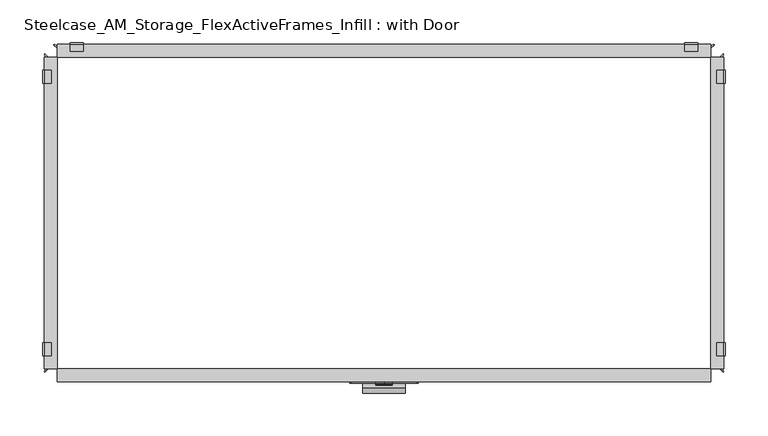
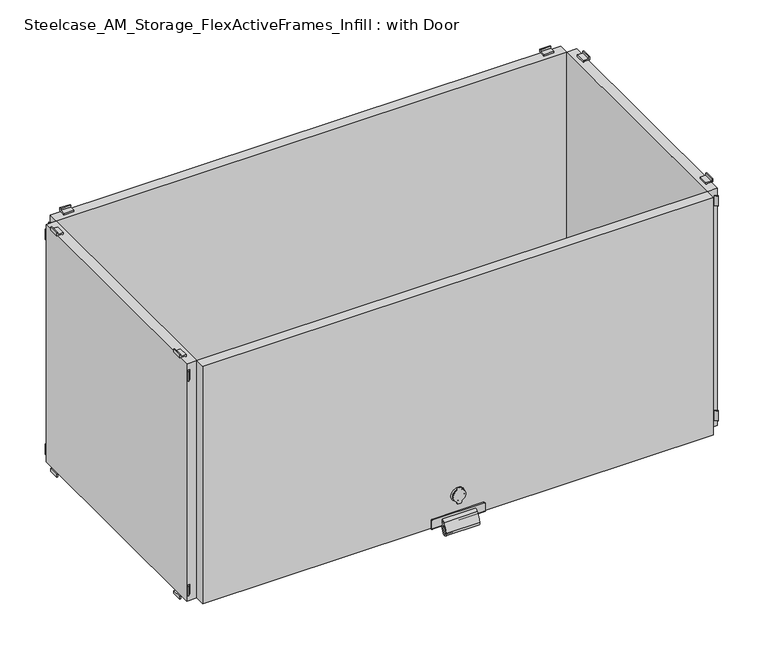
"""IFC4 building model written with IfcOpenShell, lengths in millimetres: furniture geometry, Steelcase_AM_Storage_FlexActiveFrames_Infill : with Door."""

from ifc_helpers import new_model, si_unit, point, frame, frame_2d, origin, place, context, project, spatial, polyline, circle_curve, trimmed, segment, composite_curve, outline, extrude, source, transform, mapped, element, save
from ifc_brep_helpers import plane_surface, cylinder_surface, revolved_surface, advanced_brep


def steelcase_am_storage_flexactiveframes_infill_with_door_f03e9f3b(model_context):
    return source(origin(), model_context, "Body", "SolidModel", [
        extrude(outline(composite_curve([segment(polyline([(152.5718006, 396.8746488), (150.3317189, 396.8746488)]), True, "CONTINUOUS"), segment(trimmed(circle_curve(frame_2d((150.3317189, 398.3986488)), 1.524), [point((150.3317189, 396.8746488))], [point((148.8077189, 398.3986488))], False, "CARTESIAN"), True, "CONTINUOUS"), segment(polyline([(148.8077189, 398.3986488), (148.8077189, 401.7013512)]), True, "CONTINUOUS"), segment(trimmed(circle_curve(frame_2d((150.3317189, 401.7013512)), 1.524), [point((148.8077189, 401.7013512))], [point((150.3317189, 403.2253512))], False, "CARTESIAN"), True, "CONTINUOUS"), segment(polyline([(150.3317189, 403.2253512), (152.5718006, 403.2253512)]), True, "CONTINUOUS"), segment(trimmed(circle_curve(frame_2d((161.5079853, 400.05)), 9.4835781), [point((152.5718006, 403.2253512))], [point((170.4441701, 403.2253512))], False, "CARTESIAN"), True, "CONTINUOUS"), segment(polyline([(170.4441701, 403.2253512), (172.6842518, 403.2253512)]), True, "CONTINUOUS"), segment(trimmed(circle_curve(frame_2d((172.6842518, 401.7013512)), 1.524), [point((172.6842518, 403.2253512))], [point((174.2082518, 401.7013512))], False, "CARTESIAN"), True, "CONTINUOUS"), segment(polyline([(174.2082518, 401.7013512), (174.2082518, 398.3986488)]), True, "CONTINUOUS"), segment(trimmed(circle_curve(frame_2d((172.6842518, 398.3986488)), 1.524), [point((174.2082518, 398.3986488))], [point((172.6842518, 396.8746488))], False, "CARTESIAN"), True, "CONTINUOUS"), segment(polyline([(172.6842518, 396.8746488), (170.4441701, 396.8746488)]), True, "CONTINUOUS"), segment(trimmed(circle_curve(frame_2d((161.5079853, 400.05)), 9.4835781), [point((170.4441701, 396.8746488))], [point((152.5718006, 396.8746488))], False, "CARTESIAN"), True, "CONTINUOUS")], self_intersect=False)), frame((0.0, -401.4469803, 0.0), z_axis=(0.0, 1.0, 0.0), x_axis=(0.0, 0.0, 1.0)), (0.0, 0.0, 1.0), 0.762),
        advanced_brep(
        [(400.05, -397.51, 151.1069002), (400.05, -397.51, 171.9090704), (400.05, -397.51, 161.5079853), (400.05, -399.0335313, 152.3124153), (400.05, -399.0335313, 170.7035554), (400.05, -399.0335313, 155.2647804), (400.05, -399.0335313, 167.7511903), (400.05, -399.7959797, 152.0244072), (400.05, -399.7959797, 170.9915634), (400.05, -400.6849803, 152.0244072), (400.05, -400.6849803, 170.9915634), (400.05, -400.6849803, 161.5079853)],
        [
            (0, 1, circle_curve(frame((400.05, -397.51, 161.5079853), z_axis=(0.0, 1.0, 0.0), x_axis=(0.0, 0.0, 1.0)), 10.4010851)),
            (1, 2),
            (2, 0),
            (1, 0, circle_curve(frame((400.05, -397.51, 161.5079853), z_axis=(0.0, 1.0, 0.0), x_axis=(0.0, 0.0, 1.0)), 10.4010851)),
            (3, 4, circle_curve(frame((400.05, -399.0335313, 161.5079853), z_axis=(0.0, 1.0, 0.0), x_axis=(0.0, 0.0, 1.0)), 9.19557)),
            (4, 1),
            (0, 3),
            (4, 3, circle_curve(frame((400.05, -399.0335313, 161.5079853), z_axis=(0.0, 1.0, 0.0), x_axis=(0.0, 0.0, 1.0)), 9.19557)),
            (5, 6, circle_curve(frame((400.05, -399.0335313, 161.5079853), z_axis=(0.0, 1.0, 0.0), x_axis=(0.0, 0.0, 1.0)), 6.243205)),
            (6, 4),
            (3, 5),
            (6, 5, circle_curve(frame((400.05, -399.0335313, 161.5079853), z_axis=(0.0, 1.0, 0.0), x_axis=(0.0, 0.0, 1.0)), 6.243205)),
            (7, 8, circle_curve(frame((400.05, -399.7959797, 161.5079853), z_axis=(0.0, 1.0, 0.0), x_axis=(0.0, 0.0, 1.0)), 9.4835781)),
            (8, 6),
            (5, 7),
            (8, 7, circle_curve(frame((400.05, -399.7959797, 161.5079853), z_axis=(0.0, 1.0, 0.0), x_axis=(0.0, 0.0, 1.0)), 9.4835781)),
            (9, 10, circle_curve(frame((400.05, -400.6849803, 161.5079853), z_axis=(0.0, 1.0, 0.0), x_axis=(0.0, 0.0, 1.0)), 9.4835781)),
            (10, 8),
            (7, 9),
            (10, 9, circle_curve(frame((400.05, -400.6849803, 161.5079853), z_axis=(0.0, 1.0, 0.0), x_axis=(0.0, 0.0, 1.0)), 9.4835781)),
            (11, 10),
            (9, 11),
        ],
        [
            plane_surface(frame((400.05, -397.51, 161.5079853), z_axis=(0.0, 1.0, 0.0), x_axis=(0.0, 0.0, 1.0))),
            revolved_surface(polyline([(400.05, -397.51, 171.9090704), (400.05, -399.0335313, 170.7035554)]), (400.05, -386.0294251, 161.5079853), (0.0, -1.0, 0.0)),
            plane_surface(frame((400.05, -399.0335313, 161.5079853), z_axis=(0.0, -1.0, 0.0), x_axis=(0.0, 0.0, 1.0))),
            revolved_surface(polyline([(400.05, -399.0335313, 167.7511903), (400.05, -399.7959797, 170.9915634)]), (400.05, -386.0294251, 161.5079853), (0.0, -1.0, 0.0)),
            cylinder_surface(frame((400.05, -386.0294251, 161.5079853), z_axis=(0.0, -1.0, 0.0), x_axis=(0.0, 0.0, 1.0)), 9.4835781),
            plane_surface(frame((400.05, -400.6849803, 161.5079853), z_axis=(0.0, -1.0, 0.0), x_axis=(0.0, 0.0, 1.0))),
        ],
        [
            (0, [[1, 2, 3]]),
            (0, [[4, -3, -2]]),
            (1, [[5, 6, -1, 7]]),
            (1, [[8, -7, -4, -6]]),
            (2, [[9, 10, -5, 11]]),
            (2, [[12, -11, -8, -10]]),
            (3, [[13, 14, -9, 15]]),
            (3, [[16, -15, -12, -14]]),
            (4, [[17, 18, -13, 19]]),
            (4, [[20, -19, -16, -18]]),
            (5, [[21, -17, 22]]),
            (5, [[-22, -20, -21]]),
        ],
    ),
        advanced_brep(
        [(438.5254965, -399.034, 135.2296), (361.5734862, -399.034, 135.2296), (360.0494862, -399.034, 133.7056), (360.0494862, -399.034, 121.5136), (440.0494965, -399.034, 121.5136), (440.0494965, -399.034, 133.7056), (438.5254965, -397.51, 135.2296), (440.0494965, -397.51, 133.7056), (440.0494965, -397.51, 121.5136), (360.0494862, -397.51, 121.5136), (360.0494862, -397.51, 133.7056), (361.5734862, -397.51, 135.2296), (360.0494862, -382.27, 121.5136), (360.0494862, -382.27, 119.9896), (360.0494862, -397.51, 119.9896), (440.0494965, -397.51, 119.9896), (440.0494965, -382.27, 119.9896), (440.0494965, -382.27, 121.5136)],
        [
            (0, 1),
            (1, 2, circle_curve(frame((361.5734862, -399.034, 133.7056), z_axis=(0.0, -1.0, 0.0), x_axis=(1.0, 0.0, 0.0)), 1.524)),
            (2, 3),
            (3, 4),
            (4, 5),
            (5, 0, circle_curve(frame((438.5254965, -399.034, 133.7056), z_axis=(0.0, -1.0, 0.0), x_axis=(1.0, 0.0, 0.0)), 1.524)),
            (6, 7, circle_curve(frame((438.5254965, -397.51, 133.7056), z_axis=(0.0, 1.0, 0.0), x_axis=(1.0, 0.0, 0.0)), 1.524)),
            (7, 8),
            (8, 9),
            (9, 10),
            (10, 11, circle_curve(frame((361.5734862, -397.51, 133.7056), z_axis=(0.0, 1.0, 0.0), x_axis=(1.0, 0.0, 0.0)), 1.524)),
            (11, 6),
            (0, 6),
            (11, 1),
            (10, 2),
            (9, 12),
            (12, 13),
            (13, 14),
            (14, 3, circle_curve(frame((360.0494862, -397.51, 121.5136), z_axis=(-1.0, 0.0, 0.0), x_axis=(0.0, 1.0, 0.0)), 1.524)),
            (4, 15, circle_curve(frame((440.0494965, -397.51, 121.5136), z_axis=(1.0, 0.0, 0.0), x_axis=(0.0, 1.0, 0.0)), 1.524)),
            (15, 16),
            (16, 17),
            (17, 8),
            (7, 5),
            (15, 14),
            (13, 16),
            (12, 17),
        ],
        [
            plane_surface(frame((361.5734862, -399.034, 135.2296), z_axis=(0.0, -1.0, 0.0), x_axis=(-1.0, 0.0, 0.0))),
            plane_surface(frame((361.5734862, -397.51, 135.2296), z_axis=(0.0, 1.0, 0.0), x_axis=(1.0, 0.0, 0.0))),
            plane_surface(frame((438.5254965, -399.034, 135.2296), z_axis=(0.0, 0.0, 1.0), x_axis=(0.0, 1.0, 0.0))),
            cylinder_surface(frame((361.5734862, -397.51, 133.7056), z_axis=(0.0, -1.0, 0.0), x_axis=(1.0, 0.0, 0.0)), 1.524),
            plane_surface(frame((360.0494862, -399.034, 133.7056), z_axis=(-1.0, 0.0, 0.0), x_axis=(0.0, 1.0, 0.0))),
            plane_surface(frame((440.0494965, -399.034, 123.0376), z_axis=(1.0, 0.0, 0.0), x_axis=(0.0, 1.0, 0.0))),
            cylinder_surface(frame((438.5254965, -397.51, 133.7056), z_axis=(0.0, -1.0, 0.0), x_axis=(1.0, 0.0, 0.0)), 1.524),
            plane_surface(frame((440.0494965, -397.51, 119.9896), z_axis=(0.0, 0.0, -1.0), x_axis=(-1.0, 0.0, 0.0))),
            plane_surface(frame((440.0494965, -382.27, 119.9896), z_axis=(0.0, 1.0, 0.0), x_axis=(-1.0, 0.0, 0.0))),
            plane_surface(frame((440.0494965, -382.27, 121.5136), z_axis=(0.0, 0.0, 1.0), x_axis=(-1.0, 0.0, 0.0))),
            cylinder_surface(frame((360.0494862, -397.51, 121.5136), z_axis=(1.0, 0.0, 0.0), x_axis=(0.0, 1.0, 0.0)), 1.524),
        ],
        [
            (0, [[1, 2, 3, 4, 5, 6]]),
            (1, [[7, 8, 9, 10, 11, 12]]),
            (2, [[-1, 13, -12, 14]]),
            (3, [[-2, -14, -11, 15]]),
            (4, [[-3, -15, -10, 16, 17, 18, 19]]),
            (5, [[-5, 20, 21, 22, 23, -8, 24]]),
            (6, [[-6, -24, -7, -13]]),
            (7, [[-21, 25, -18, 26]]),
            (8, [[-22, -26, -17, 27]]),
            (9, [[-23, -27, -16, -9]]),
            (10, [[-20, -4, -19, -25]]),
        ],
    ),
        extrude(outline(composite_curve([segment(trimmed(circle_curve(frame_2d((-399.3330542, 125.2742816)), 4.4885231), [point((-399.034, 129.7528311))], [point((-402.9026513, 127.9954607))], True, "CARTESIAN"), True, "CONTINUOUS"), segment(trimmed(circle_curve(frame_2d((-376.5973715, 107.9423915)), 33.0770816), [point((-402.9026513, 127.9954607))], [point((-408.7735456, 115.6096697))], True, "CARTESIAN"), True, "CONTINUOUS"), segment(trimmed(circle_curve(frame_2d((-405.3950826, 114.8046139)), 3.4730573), [point((-408.7735456, 115.6096697))], [point((-405.8503754, 111.3615287))], True, "CARTESIAN"), True, "CONTINUOUS"), segment(trimmed(circle_curve(frame_2d((-405.7469426, 112.1437242)), 0.7890045), [point((-405.8503754, 111.3615287))], [point((-405.0783099, 111.7248465))], True, "CARTESIAN"), True, "CONTINUOUS"), segment(trimmed(circle_curve(frame_2d((-432.7352012, 129.0510324)), 32.6358752), [point((-405.0783099, 111.7248465))], [point((-401.3976431, 119.9374269))], True, "CARTESIAN"), True, "CONTINUOUS"), segment(trimmed(circle_curve(frame_2d((-403.0105921, 120.4065056)), 1.6797736), [point((-401.3976431, 119.9374269))], [point((-401.8482661, 121.6192041))], True, "CARTESIAN"), True, "CONTINUOUS"), segment(trimmed(circle_curve(frame_2d((-399.159917, 124.4240597)), 3.8851559), [point((-401.8482661, 121.6192041))], [point((-399.034, 128.3071746))], False, "CARTESIAN"), True, "CONTINUOUS"), segment(polyline([(-399.034, 128.3071746), (-399.034, 126.400208)]), True, "CONTINUOUS"), segment(trimmed(circle_curve(frame_2d((-399.159917, 124.4240597)), 1.9801559), [point((-399.034, 126.400208))], [point((-400.5300937, 122.9945028))], True, "CARTESIAN"), True, "CONTINUOUS"), segment(trimmed(circle_curve(frame_2d((-403.0105921, 120.4065056)), 3.5847736), [point((-400.5300937, 122.9945028))], [point((-399.5684276, 119.4054535))], False, "CARTESIAN"), True, "CONTINUOUS"), segment(trimmed(circle_curve(frame_2d((-432.7352012, 129.0510324)), 34.5408752), [point((-399.5684276, 119.4054535))], [point((-403.4639399, 110.7134937))], False, "CARTESIAN"), True, "CONTINUOUS"), segment(trimmed(circle_curve(frame_2d((-405.7469426, 112.1437242)), 2.6940045), [point((-403.4639399, 110.7134937))], [point((-406.1001071, 109.4729687))], False, "CARTESIAN"), True, "CONTINUOUS"), segment(trimmed(circle_curve(frame_2d((-405.3950826, 114.8046139)), 5.3780573), [point((-406.1001071, 109.4729687))], [point((-410.6266598, 116.0512493))], False, "CARTESIAN"), True, "CONTINUOUS"), segment(trimmed(circle_curve(frame_2d((-376.5973715, 107.9423915)), 34.9820816), [point((-410.6266598, 116.0512493))], [point((-404.4176446, 129.1503721))], False, "CARTESIAN"), True, "CONTINUOUS"), segment(trimmed(circle_curve(frame_2d((-399.3330542, 125.2742816)), 6.3935231), [point((-404.4176446, 129.1503721))], [point((-399.034, 131.6608068))], False, "CARTESIAN"), True, "CONTINUOUS"), segment(polyline([(-399.034, 131.6608068), (-399.034, 129.7528311)]), True, "CONTINUOUS")], self_intersect=False)), frame((375.0708803, 0.0, 0.0), z_axis=(1.0, 0.0, 0.0), x_axis=(0.0, 1.0, 0.0)), (0.0, 0.0, 1.0), 49.9787862),
        extrude(outline(polyline([(782.32, -397.51), (17.78, -397.51), (17.78, -382.27), (782.32, -382.27), (782.32, -397.51)])), frame((0.0, 0.0, 121.5136), z_axis=(0.0, 0.0, 1.0), x_axis=(1.0, 0.0, 0.0)), (0.0, 0.0, 1.0), 375.92),
        extrude(outline(polyline([(794.8923586, -382.27), (797.5473445, -384.924986), (796.4697138, -386.0026167), (792.7370971, -382.27), (794.8923586, -382.27)])), frame((0.0, 0.0, 472.0336), z_axis=(0.0, 0.0, 1.0), x_axis=(1.0, 0.0, 0.0)), (0.0, 0.0, 1.0), 15.24),
        extrude(outline(polyline([(794.8923586, -17.78), (792.7370971, -17.78), (796.4697138, -14.0473833), (797.5473445, -15.125014), (794.8923586, -17.78)])), frame((0.0, 0.0, 472.0336), z_axis=(0.0, 0.0, 1.0), x_axis=(1.0, 0.0, 0.0)), (0.0, 0.0, 1.0), 15.24),
        extrude(outline(polyline([(794.8923586, -382.27), (797.5473445, -384.924986), (796.4697138, -386.0026167), (792.7370971, -382.27), (794.8923586, -382.27)])), frame((0.0, 0.0, 131.6736), z_axis=(0.0, 0.0, 1.0), x_axis=(1.0, 0.0, 0.0)), (0.0, 0.0, 1.0), 15.24),
        extrude(outline(polyline([(794.8923586, -17.78), (792.7370971, -17.78), (796.4697138, -14.0473833), (797.5473445, -15.125014), (794.8923586, -17.78)])), frame((0.0, 0.0, 131.6736), z_axis=(0.0, 0.0, 1.0), x_axis=(1.0, 0.0, 0.0)), (0.0, 0.0, 1.0), 15.24),
        extrude(outline(polyline([(503.0770636, 797.56), (499.9736, 797.56), (499.9736, 789.178), (497.4336, 789.178), (497.4336, 790.702), (498.4496, 790.702), (498.4496, 799.084), (503.0770636, 799.084), (503.0770636, 797.56)])), frame((0.0, -48.26, 0.0), z_axis=(0.0, 1.0, 0.0), x_axis=(0.0, 0.0, 1.0)), (0.0, 0.0, 1.0), 15.24),
        extrude(outline(polyline([(115.8701364, 797.56), (115.8701364, 799.084), (120.4976, 799.084), (120.4976, 790.702), (121.5136, 790.702), (121.5136, 789.178), (118.9736, 789.178), (118.9736, 797.56), (115.8701364, 797.56)])), frame((0.0, -48.26, 0.0), z_axis=(0.0, 1.0, 0.0), x_axis=(0.0, 0.0, 1.0)), (0.0, 0.0, 1.0), 15.24),
        extrude(outline(polyline([(503.0770636, 797.56), (499.9736, 797.56), (499.9736, 789.178), (497.4336, 789.178), (497.4336, 790.702), (498.4496, 790.702), (498.4496, 799.084), (503.0770636, 799.084), (503.0770636, 797.56)])), frame((0.0, -367.03, 0.0), z_axis=(0.0, 1.0, 0.0), x_axis=(0.0, 0.0, 1.0)), (0.0, 0.0, 1.0), 15.24),
        extrude(outline(polyline([(115.8701364, 797.56), (115.8701364, 799.084), (120.4976, 799.084), (120.4976, 790.702), (121.5136, 790.702), (121.5136, 789.178), (118.9736, 789.178), (118.9736, 797.56), (115.8701364, 797.56)])), frame((0.0, -367.03, 0.0), z_axis=(0.0, 1.0, 0.0), x_axis=(0.0, 0.0, 1.0)), (0.0, 0.0, 1.0), 15.24),
        extrude(outline(polyline([(782.32, -17.78), (797.56, -17.78), (797.56, -382.27), (782.32, -382.27), (782.32, -17.78)])), frame((0.0, 0.0, 121.5136), z_axis=(0.0, 0.0, 1.0), x_axis=(1.0, 0.0, 0.0)), (0.0, 0.0, 1.0), 375.92),
        extrude(outline(polyline([(5.2076414, -382.27), (7.3629029, -382.27), (3.6302862, -386.0026167), (2.5526555, -384.924986), (5.2076414, -382.27)])), frame((0.0, 0.0, 472.0336), z_axis=(0.0, 0.0, 1.0), x_axis=(1.0, 0.0, 0.0)), (0.0, 0.0, 1.0), 15.24),
        extrude(outline(polyline([(5.2076414, -17.78), (2.5526555, -15.125014), (3.6302862, -14.0473833), (7.3629029, -17.78), (5.2076414, -17.78)])), frame((0.0, 0.0, 472.0336), z_axis=(0.0, 0.0, 1.0), x_axis=(1.0, 0.0, 0.0)), (0.0, 0.0, 1.0), 15.24),
        extrude(outline(polyline([(5.2076414, -382.27), (7.3629029, -382.27), (3.6302862, -386.0026167), (2.5526555, -384.924986), (5.2076414, -382.27)])), frame((0.0, 0.0, 131.6736), z_axis=(0.0, 0.0, 1.0), x_axis=(1.0, 0.0, 0.0)), (0.0, 0.0, 1.0), 15.24),
        extrude(outline(polyline([(5.2076414, -17.78), (2.5526555, -15.125014), (3.6302862, -14.0473833), (7.3629029, -17.78), (5.2076414, -17.78)])), frame((0.0, 0.0, 131.6736), z_axis=(0.0, 0.0, 1.0), x_axis=(1.0, 0.0, 0.0)), (0.0, 0.0, 1.0), 15.24),
        extrude(outline(polyline([(503.0770636, 2.54), (503.0770636, 1.016), (498.4496, 1.016), (498.4496, 9.398), (497.4336, 9.398), (497.4336, 10.922), (499.9736, 10.922), (499.9736, 2.54), (503.0770636, 2.54)])), frame((0.0, -48.26, 0.0), z_axis=(0.0, 1.0, 0.0), x_axis=(0.0, 0.0, 1.0)), (0.0, 0.0, 1.0), 15.24),
        extrude(outline(polyline([(115.8701364, 2.54), (118.9736, 2.54), (118.9736, 10.922), (121.5136, 10.922), (121.5136, 9.398), (120.4976, 9.398), (120.4976, 1.016), (115.8701364, 1.016), (115.8701364, 2.54)])), frame((0.0, -48.26, 0.0), z_axis=(0.0, 1.0, 0.0), x_axis=(0.0, 0.0, 1.0)), (0.0, 0.0, 1.0), 15.24),
        extrude(outline(polyline([(503.0770636, 2.54), (503.0770636, 1.016), (498.4496, 1.016), (498.4496, 9.398), (497.4336, 9.398), (497.4336, 10.922), (499.9736, 10.922), (499.9736, 2.54), (503.0770636, 2.54)])), frame((0.0, -367.03, 0.0), z_axis=(0.0, 1.0, 0.0), x_axis=(0.0, 0.0, 1.0)), (0.0, 0.0, 1.0), 15.24),
        extrude(outline(polyline([(115.8701364, 2.54), (118.9736, 2.54), (118.9736, 10.922), (121.5136, 10.922), (121.5136, 9.398), (120.4976, 9.398), (120.4976, 1.016), (115.8701364, 1.016), (115.8701364, 2.54)])), frame((0.0, -367.03, 0.0), z_axis=(0.0, 1.0, 0.0), x_axis=(0.0, 0.0, 1.0)), (0.0, 0.0, 1.0), 15.24),
        extrude(outline(polyline([(17.78, -17.78), (17.78, -382.27), (2.54, -382.27), (2.54, -17.78), (17.78, -17.78)])), frame((0.0, 0.0, 121.5136), z_axis=(0.0, 0.0, 1.0), x_axis=(1.0, 0.0, 0.0)), (0.0, 0.0, 1.0), 375.92),
        extrude(outline(polyline([(17.78, -5.2076414), (17.78, -7.3629029), (14.0473833, -3.6302862), (15.125014, -2.5526555), (17.78, -5.2076414)])), frame((0.0, 0.0, 472.0336), z_axis=(0.0, 0.0, 1.0), x_axis=(1.0, 0.0, 0.0)), (0.0, 0.0, 1.0), 15.24),
        extrude(outline(polyline([(782.32, -5.2076414), (784.974986, -2.5526555), (786.0526167, -3.6302862), (782.32, -7.3629029), (782.32, -5.2076414)])), frame((0.0, 0.0, 472.0336), z_axis=(0.0, 0.0, 1.0), x_axis=(1.0, 0.0, 0.0)), (0.0, 0.0, 1.0), 15.24),
        extrude(outline(polyline([(17.78, -5.2076414), (17.78, -7.3629029), (14.0473833, -3.6302862), (15.125014, -2.5526555), (17.78, -5.2076414)])), frame((0.0, 0.0, 131.6736), z_axis=(0.0, 0.0, 1.0), x_axis=(1.0, 0.0, 0.0)), (0.0, 0.0, 1.0), 15.24),
        extrude(outline(polyline([(782.32, -5.2076414), (784.974986, -2.5526555), (786.0526167, -3.6302862), (782.32, -7.3629029), (782.32, -5.2076414)])), frame((0.0, 0.0, 131.6736), z_axis=(0.0, 0.0, 1.0), x_axis=(1.0, 0.0, 0.0)), (0.0, 0.0, 1.0), 15.24),
        extrude(outline(polyline([(-2.54, 503.0770636), (-1.016, 503.0770636), (-1.016, 498.4496), (-9.398, 498.4496), (-9.398, 497.4336), (-10.922, 497.4336), (-10.922, 499.9736), (-2.54, 499.9736), (-2.54, 503.0770636)])), frame((751.84, 0.0, 0.0), z_axis=(1.0, 0.0, 0.0), x_axis=(0.0, 1.0, 0.0)), (0.0, 0.0, 1.0), 15.24),
        extrude(outline(polyline([(-2.54, 115.8701364), (-2.54, 118.9736), (-10.922, 118.9736), (-10.922, 121.5136), (-9.398, 121.5136), (-9.398, 120.4976), (-1.016, 120.4976), (-1.016, 115.8701364), (-2.54, 115.8701364)])), frame((751.84, 0.0, 0.0), z_axis=(1.0, 0.0, 0.0), x_axis=(0.0, 1.0, 0.0)), (0.0, 0.0, 1.0), 15.24),
        extrude(outline(polyline([(-2.54, 503.0770636), (-1.016, 503.0770636), (-1.016, 498.4496), (-9.398, 498.4496), (-9.398, 497.4336), (-10.922, 497.4336), (-10.922, 499.9736), (-2.54, 499.9736), (-2.54, 503.0770636)])), frame((33.02, 0.0, 0.0), z_axis=(1.0, 0.0, 0.0), x_axis=(0.0, 1.0, 0.0)), (0.0, 0.0, 1.0), 15.24),
        extrude(outline(polyline([(-2.54, 115.8701364), (-2.54, 118.9736), (-10.922, 118.9736), (-10.922, 121.5136), (-9.398, 121.5136), (-9.398, 120.4976), (-1.016, 120.4976), (-1.016, 115.8701364), (-2.54, 115.8701364)])), frame((33.02, 0.0, 0.0), z_axis=(1.0, 0.0, 0.0), x_axis=(0.0, 1.0, 0.0)), (0.0, 0.0, 1.0), 15.24),
        extrude(outline(polyline([(782.32, -17.78), (17.78, -17.78), (17.78, -2.54), (782.32, -2.54), (782.32, -17.78)])), frame((0.0, 0.0, 121.5136), z_axis=(0.0, 0.0, 1.0), x_axis=(1.0, 0.0, 0.0)), (0.0, 0.0, 1.0), 375.92),
    ])


if __name__ == "__main__":
    model = new_model("IFC4")
    model_context = context("Model", 3, world=origin())
    ifc_project = project(units=[si_unit("LENGTHUNIT", "METRE", prefix="MILLI")], contexts=[model_context])
    site = spatial("IfcSite", under=ifc_project)
    building = spatial("IfcBuilding", under=site)
    placement = place(None, origin())
    steelcase_am_storage_flexactiveframes_infill_with_door_shape = steelcase_am_storage_flexactiveframes_infill_with_door_f03e9f3b(model_context)
    element("IfcFurniture", 1, ObjectType="Steelcase_AM_Storage_FlexActiveFrames_Infill : with Door", at=placement, inside=building, context=model_context, shape_type="MappedRepresentation", body=[
        mapped(steelcase_am_storage_flexactiveframes_infill_with_door_shape, transform((0.0, 0.0, 0.0), x_axis=(1.0, 0.0, 0.0), y_axis=(0.0, 1.0, 0.0), z_axis=(0.0, 0.0, 1.0))),
    ])
    save(model, "model.ifc")
